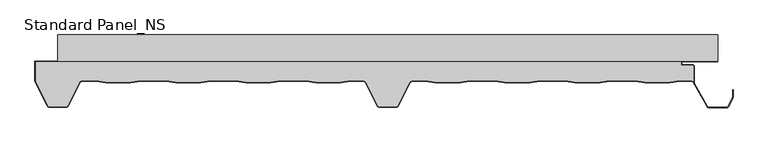
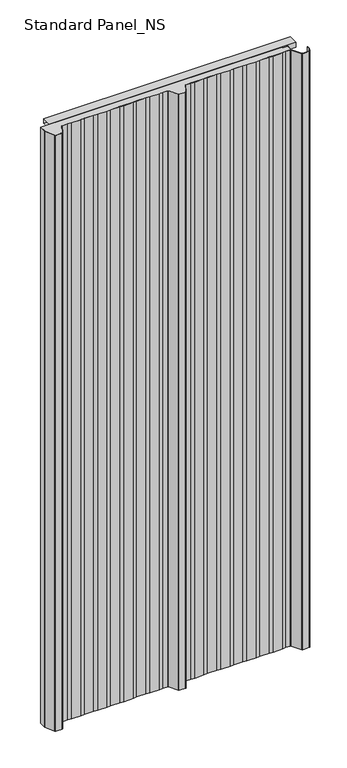
"""IFC4 building model written with IfcOpenShell, lengths in millimetres: proxy geometry, Standard Panel_NS."""

from ifc_helpers import new_model, si_unit, point, frame, frame_2d, origin, origin_with_axes, place, context, project, spatial, polyline, circle_curve, trimmed, segment, composite_curve, outline, extrude, source, transform, mapped, element, save


def standard_panel_ns_3be9ded1(model_context):
    return source(origin(), model_context, "Body", "SweptSolid", [
        extrude(outline(polyline([(-40.0, 0.0), (-40.0, 20.0), (0.0, 20.0), (0.0, 0.0), (-40.0, 0.0)]), holes=[polyline([(-0.9, 19.1), (-39.1, 19.1), (-39.1, 0.9), (-0.9, 0.9), (-0.9, 19.1)])]), frame((-499.5000907, 0.0, 0.0), z_axis=(1.0, 0.0, 0.0), x_axis=(0.0, 1.0, 0.0)), (0.0, 0.0, 1.0), 999.5000907),
        extrude(outline(polyline([(-40.0, 2549.5097568), (0.0, 2549.5097568), (0.0, 2529.5097568), (-40.0, 2529.5097568), (-40.0, 2549.5097568)]), holes=[polyline([(-0.9, 2548.6097568), (-39.1, 2548.6097568), (-39.1, 2530.4097568), (-0.9, 2530.4097568), (-0.9, 2548.6097568)])]), frame((-500.0, 0.0, 0.0), z_axis=(1.0, 0.0, 0.0), x_axis=(0.0, 1.0, 0.0)), (0.0, 0.0, 1.0), 1000.0),
        extrude(outline(composite_curve([segment(polyline([(463.3333678, -47.9776976), (463.3333678, -71.2827781)]), True, "CONTINUOUS"), segment(trimmed(circle_curve(frame_2d((460.1791882, -73.4020117)), 3.8), [point((463.3333678, -71.2827781))], [point((460.2255768, -69.6022949))], True, "CARTESIAN"), True, "CONTINUOUS"), segment(polyline([(460.2255768, -69.6022949), (442.3850007, -69.6022949), (427.5232716, -71.4), (389.5003906, -71.4), (374.6528383, -69.6040097), (336.3708239, -69.6040097), (321.5232716, -71.4), (283.5003906, -71.4), (268.6670151, -69.6057246), (230.356647, -69.6057246), (215.5232716, -71.4), (177.5003906, -71.4), (162.6811919, -69.6074394), (124.3424702, -69.6074394), (109.5232716, -71.4), (71.5003906, -71.4), (56.6929307, -69.6088594), (36.8490422, -69.6088594)]), True, "CONTINUOUS"), segment(trimmed(circle_curve(frame_2d((36.8490422, -73.4088594)), 3.8), [point((36.8490422, -69.6088594))], [point((33.4515652, -71.7067576))], True, "CARTESIAN"), True, "CONTINUOUS"), segment(polyline([(33.4515652, -71.7067576), (15.1133281, -107.389061)]), True, "CONTINUOUS"), segment(trimmed(circle_curve(frame_2d((13.1431912, -106.41)), 2.2), [point((15.1133281, -107.389061))], [point((13.1431912, -108.61))], False, "CARTESIAN"), True, "CONTINUOUS"), segment(polyline([(13.1431912, -108.61), (-13.1465337, -108.61)]), True, "CONTINUOUS"), segment(trimmed(circle_curve(frame_2d((-13.1465337, -106.41)), 2.2), [point((-13.1465337, -108.61))], [point((-15.1166702, -107.3890619))], False, "CARTESIAN"), True, "CONTINUOUS"), segment(polyline([(-15.1166702, -107.3890619), (-33.4593215, -71.697919)]), True, "CONTINUOUS"), segment(trimmed(circle_curve(frame_2d((-36.856799, -73.4000196)), 3.8), [point((-33.4593215, -71.697919))], [point((-36.856799, -69.6000196))], True, "CARTESIAN"), True, "CONTINUOUS"), segment(polyline([(-36.856799, -69.6000196), (-56.6231947, -69.6000196), (-71.5037331, -71.4), (-109.5266141, -71.4), (-124.4071525, -69.6000196), (-162.6231947, -69.6000196), (-177.5037331, -71.4), (-215.5266141, -71.4), (-230.4071525, -69.6000196), (-268.6231947, -69.6000196), (-283.5037331, -71.4), (-321.5266141, -71.4), (-336.4071525, -69.6000196), (-374.6231947, -69.6000196), (-389.5037331, -71.4), (-427.5266141, -71.4), (-442.4071525, -69.6000196), (-463.5629534, -69.6000196)]), True, "CONTINUOUS"), segment(trimmed(circle_curve(frame_2d((-463.5629534, -73.4000196)), 3.8), [point((-463.5629534, -69.6000196))], [point((-466.9621881, -71.7014308))], True, "CARTESIAN"), True, "CONTINUOUS"), segment(polyline([(-466.9621881, -71.7014308), (-484.8632284, -107.3198221)]), True, "CONTINUOUS"), segment(trimmed(circle_curve(frame_2d((-486.83184, -106.3376976)), 2.2), [point((-484.8632284, -107.3198221))], [point((-486.83184, -108.5376976))], False, "CARTESIAN"), True, "CONTINUOUS"), segment(polyline([(-486.83184, -108.5376976), (-513.1679785, -108.5376976)]), True, "CONTINUOUS"), segment(trimmed(circle_curve(frame_2d((-513.1679785, -106.3376976)), 2.2), [point((-513.1679785, -108.5376976))], [point((-515.1468491, -107.2989838))], False, "CARTESIAN"), True, "CONTINUOUS"), segment(polyline([(-515.1468491, -107.2989838), (-533.8689812, -69.987751), (-533.8689812, -40.8776976), (444.4044996, -40.8776976), (444.4044996, -45.8776976), (461.2333678, -45.8776976)]), True, "CONTINUOUS"), segment(trimmed(circle_curve(frame_2d((461.2333678, -47.9776976)), 2.1), [point((461.2333678, -45.8776976))], [point((463.3333678, -47.9776976))], False, "CARTESIAN"), True, "CONTINUOUS")], self_intersect=False)), origin_with_axes(), (0.0, 0.0, 1.0), 2549.5097568),
        extrude(outline(composite_curve([segment(polyline([(-321.5748232, -72.2), (-336.4553616, -70.4000196), (-374.5749856, -70.4000196), (-389.455524, -72.2), (-427.5748232, -72.2), (-442.4553616, -70.4000196), (-463.5629534, -70.4000196)]), True, "CONTINUOUS"), segment(trimmed(circle_curve(frame_2d((-463.5629534, -73.4000196)), 3.0), [point((-463.5629534, -70.4000196))], [point((-466.2469048, -72.0597193))], True, "CARTESIAN"), True, "CONTINUOUS"), segment(polyline([(-466.2469048, -72.0597193), (-484.1478886, -107.7003003)]), True, "CONTINUOUS"), segment(trimmed(circle_curve(frame_2d((-486.83184, -106.36)), 3.0), [point((-484.1478886, -107.7003003))], [point((-486.83184, -109.36))], False, "CARTESIAN"), True, "CONTINUOUS"), segment(polyline([(-486.83184, -109.36), (-513.1679785, -109.36)]), True, "CONTINUOUS"), segment(trimmed(circle_curve(frame_2d((-513.1679785, -106.36)), 3.0), [point((-513.1679785, -109.36))], [point((-515.8640556, -107.6757386))], False, "CARTESIAN"), True, "CONTINUOUS"), segment(polyline([(-515.8640556, -107.6757386), (-534.7689812, -69.9776976), (-533.8740229, -69.9776976), (-515.1468491, -107.3212862)]), True, "CONTINUOUS"), segment(trimmed(circle_curve(frame_2d((-513.1679785, -106.36)), 2.2), [point((-515.1468491, -107.3212862))], [point((-513.1679785, -108.56))], True, "CARTESIAN"), True, "CONTINUOUS"), segment(polyline([(-513.1679785, -108.56), (-486.83184, -108.56)]), True, "CONTINUOUS"), segment(trimmed(circle_curve(frame_2d((-486.83184, -106.36)), 2.2), [point((-486.83184, -108.56))], [point((-484.8632284, -107.3421244))], True, "CARTESIAN"), True, "CONTINUOUS"), segment(polyline([(-484.8632284, -107.3421244), (-466.9621881, -71.7014308)]), True, "CONTINUOUS"), segment(trimmed(circle_curve(frame_2d((-463.5629534, -73.4000196)), 3.8), [point((-466.9621881, -71.7014308))], [point((-463.5629534, -69.6000196))], False, "CARTESIAN"), True, "CONTINUOUS"), segment(polyline([(-463.5629534, -69.6000196), (-442.4071525, -69.6000196), (-427.5266141, -71.4), (-389.5037331, -71.4), (-374.6231947, -69.6000196), (-336.4071525, -69.6000196), (-321.5266141, -71.4), (-283.5037331, -71.4), (-268.6231947, -69.6000196), (-230.4071525, -69.6000196), (-215.5266141, -71.4), (-177.5037331, -71.4), (-162.6231947, -69.6000196), (-124.4071525, -69.6000196), (-109.5266141, -71.4), (-71.5037331, -71.4), (-56.6231947, -69.6000196), (-36.856799, -69.6000196)]), True, "CONTINUOUS"), segment(trimmed(circle_curve(frame_2d((-36.856799, -73.4000196)), 3.8), [point((-36.856799, -69.6000196))], [point((-33.4593215, -71.697919))], False, "CARTESIAN"), True, "CONTINUOUS"), segment(polyline([(-33.4593215, -71.697919), (-15.1166702, -107.3890619)]), True, "CONTINUOUS"), segment(trimmed(circle_curve(frame_2d((-13.1465337, -106.41)), 2.2), [point((-15.1166702, -107.3890619))], [point((-13.1465337, -108.61))], True, "CARTESIAN"), True, "CONTINUOUS"), segment(polyline([(-13.1465337, -108.61), (13.1431912, -108.61)]), True, "CONTINUOUS"), segment(trimmed(circle_curve(frame_2d((13.1431912, -106.41)), 2.2), [point((13.1431912, -108.61))], [point((15.1133281, -107.389061))], True, "CARTESIAN"), True, "CONTINUOUS"), segment(polyline([(15.1133281, -107.389061), (33.4515652, -71.7067576)]), True, "CONTINUOUS"), segment(trimmed(circle_curve(frame_2d((36.8490422, -73.4088594)), 3.8), [point((33.4515652, -71.7067576))], [point((36.8490422, -69.6088594))], False, "CARTESIAN"), True, "CONTINUOUS"), segment(polyline([(36.8490422, -69.6088594), (56.6929307, -69.6088594), (71.5003906, -71.4), (109.5232716, -71.4), (124.3424702, -69.6074394), (162.6811919, -69.6074394), (177.5003906, -71.4), (215.5232716, -71.4), (230.356647, -69.6057246), (268.6670151, -69.6057246), (283.5003906, -71.4), (321.5232716, -71.4), (336.3708239, -69.6040097), (374.6528383, -69.6040097), (389.5003906, -71.4), (427.5232716, -71.4), (442.3850007, -69.6022949), (460.1327996, -69.6022949)]), True, "CONTINUOUS"), segment(trimmed(circle_curve(frame_2d((460.1791882, -73.4020117)), 3.8), [point((460.1327996, -69.6022949))], [point((463.5049669, -71.5637527))], False, "CARTESIAN"), True, "CONTINUOUS"), segment(polyline([(463.5049669, -71.5637527), (484.4077107, -108.4591287)]), True, "CONTINUOUS"), segment(trimmed(circle_curve(frame_2d((486.3366684, -107.401243)), 2.2), [point((484.4077107, -108.4591287))], [point((486.3366684, -109.601243))], True, "CARTESIAN"), True, "CONTINUOUS"), segment(polyline([(486.3366684, -109.601243), (513.6856739, -109.601243)]), True, "CONTINUOUS"), segment(trimmed(circle_curve(frame_2d((513.6856739, -107.401243)), 2.2), [point((513.6856739, -109.601243))], [point((515.6539049, -108.3841299))], True, "CARTESIAN"), True, "CONTINUOUS"), segment(polyline([(515.6539049, -108.3841299), (522.1830897, -95.3094373)]), True, "CONTINUOUS"), segment(trimmed(circle_curve(frame_2d((520.2148587, -94.3265504)), 2.2), [point((522.1830897, -95.3094373))], [point((522.4148587, -94.3265504))], True, "CARTESIAN"), True, "CONTINUOUS"), segment(polyline([(522.4148587, -94.3265504), (522.4148587, -82.8571101), (523.2148587, -82.8571101), (523.2148587, -94.3265504)]), True, "CONTINUOUS"), segment(trimmed(circle_curve(frame_2d((520.2148587, -94.3265504)), 3.0), [point((523.2148587, -94.3265504))], [point((522.8988101, -95.6668507))], False, "CARTESIAN"), True, "CONTINUOUS"), segment(polyline([(522.8988101, -95.6668507), (516.3696253, -108.7415434)]), True, "CONTINUOUS"), segment(trimmed(circle_curve(frame_2d((513.6856739, -107.401243)), 3.0), [point((516.3696253, -108.7415434))], [point((513.6856739, -110.401243))], False, "CARTESIAN"), True, "CONTINUOUS"), segment(polyline([(513.6856739, -110.401243), (486.3366684, -110.401243)]), True, "CONTINUOUS"), segment(trimmed(circle_curve(frame_2d((486.3366684, -107.401243)), 3.0), [point((486.3366684, -110.401243))], [point((483.709141, -108.8490344))], False, "CARTESIAN"), True, "CONTINUOUS"), segment(polyline([(483.709141, -108.8490344), (462.8067156, -71.9542204)]), True, "CONTINUOUS"), segment(trimmed(circle_curve(frame_2d((460.1791882, -73.4020117)), 3.0), [point((462.8067156, -71.9542204))], [point((460.137971, -70.4022949))], True, "CARTESIAN"), True, "CONTINUOUS"), segment(polyline([(460.137971, -70.4022949), (442.4332098, -70.4022949), (427.5714807, -72.2), (389.4521815, -72.2), (374.6046292, -70.4040097), (336.419033, -70.4040097), (321.5714807, -72.2), (283.4521815, -72.2), (268.618806, -70.4057246), (230.4048562, -70.4057246), (215.5714807, -72.2), (177.4521815, -72.2), (162.6329828, -70.4074394), (124.3906793, -70.4074394), (109.5714807, -72.2), (71.4521815, -72.2), (56.6447216, -70.4088594), (36.8490422, -70.4088594)]), True, "CONTINUOUS"), segment(trimmed(circle_curve(frame_2d((36.8490422, -73.4088594)), 3.0), [point((36.8490422, -70.4088594))], [point((34.1650908, -72.0685591))], True, "CARTESIAN"), True, "CONTINUOUS"), segment(polyline([(34.1650908, -72.0685591), (15.8271426, -107.7503003)]), True, "CONTINUOUS"), segment(trimmed(circle_curve(frame_2d((13.1431912, -106.41)), 3.0), [point((15.8271426, -107.7503003))], [point((13.1431912, -109.41))], False, "CARTESIAN"), True, "CONTINUOUS"), segment(polyline([(13.1431912, -109.41), (-13.1465337, -109.41)]), True, "CONTINUOUS"), segment(trimmed(circle_curve(frame_2d((-13.1465337, -106.41)), 3.0), [point((-13.1465337, -109.41))], [point((-15.8304851, -107.7503003))], False, "CARTESIAN"), True, "CONTINUOUS"), segment(polyline([(-15.8304851, -107.7503003), (-34.1728476, -72.0597193)]), True, "CONTINUOUS"), segment(trimmed(circle_curve(frame_2d((-36.856799, -73.4000196)), 3.0), [point((-34.1728476, -72.0597193))], [point((-36.856799, -70.4000196))], True, "CARTESIAN"), True, "CONTINUOUS"), segment(polyline([(-36.856799, -70.4000196), (-56.5749856, -70.4000196), (-71.455524, -72.2), (-109.5748232, -72.2), (-124.4553616, -70.4000196), (-162.5749856, -70.4000196), (-177.455524, -72.2), (-215.5748232, -72.2), (-230.4553616, -70.4000196), (-268.5749856, -70.4000196), (-283.455524, -72.2), (-321.5748232, -72.2)]), True, "CONTINUOUS")], self_intersect=False)), origin_with_axes(), (0.0, 0.0, 1.0), 2549.5097568),
        extrude(outline(composite_curve([segment(polyline([(-534.7689812, -69.9776976), (-534.7689812, -40.0), (445.3044996, -40.0), (445.3044996, -45.0), (461.2333678, -45.0)]), True, "CONTINUOUS"), segment(trimmed(circle_curve(frame_2d((461.2333678, -48.0)), 3.0), [point((461.2333678, -45.0))], [point((464.2333678, -48.0))], False, "CARTESIAN"), True, "CONTINUOUS"), segment(polyline([(464.2333678, -48.0), (464.2333678, -72.8494512), (463.3333678, -71.2827781), (463.3333678, -48.0)]), True, "CONTINUOUS"), segment(trimmed(circle_curve(frame_2d((461.2333678, -48.0)), 2.1), [point((463.3333678, -48.0))], [point((461.2333678, -45.9))], True, "CARTESIAN"), True, "CONTINUOUS"), segment(polyline([(461.2333678, -45.9), (444.4044996, -45.9), (444.4044996, -40.9), (-533.8689812, -40.9), (-533.8689812, -69.9776976), (-534.7689812, -69.9776976)]), True, "CONTINUOUS")], self_intersect=False)), origin_with_axes(), (0.0, 0.0, 1.0), 2549.5097568),
    ])


if __name__ == "__main__":
    model = new_model("IFC4")
    model_context = context("Model", 3, world=origin())
    ifc_project = project(units=[si_unit("LENGTHUNIT", "METRE", prefix="MILLI")], contexts=[model_context])
    site = spatial("IfcSite", under=ifc_project)
    building = spatial("IfcBuilding", under=site)
    placement = place(None, origin())
    standard_panel_ns_shape = standard_panel_ns_3be9ded1(model_context)
    element("IfcBuildingElementProxy", 1, Name="Standard Panel_NS", ObjectType="Standard Panel_NS", at=placement, inside=building, context=model_context, shape_type="MappedRepresentation", body=[
        mapped(standard_panel_ns_shape, transform((0.0, 0.0, 0.0), x_axis=(1.0, 0.0, 0.0), y_axis=(0.0, 1.0, 0.0), z_axis=(0.0, 0.0, 1.0))),
    ])
    save(model, "model.ifc")
